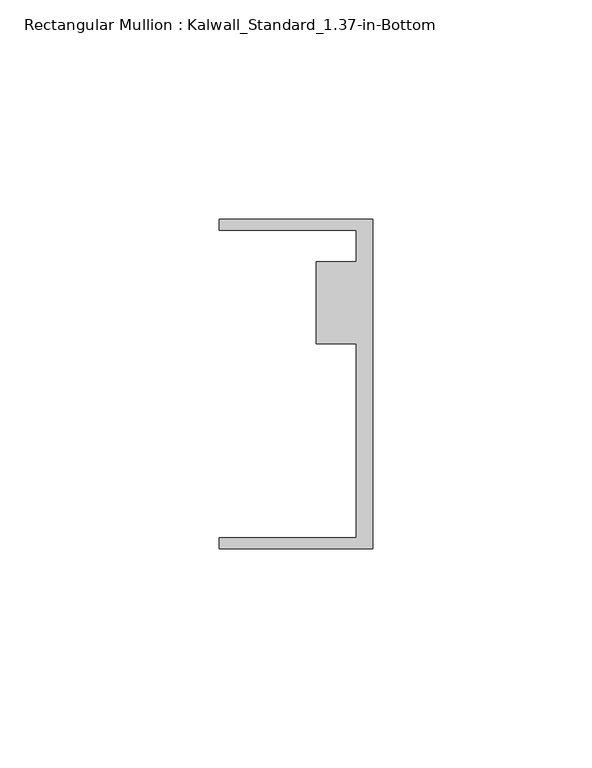
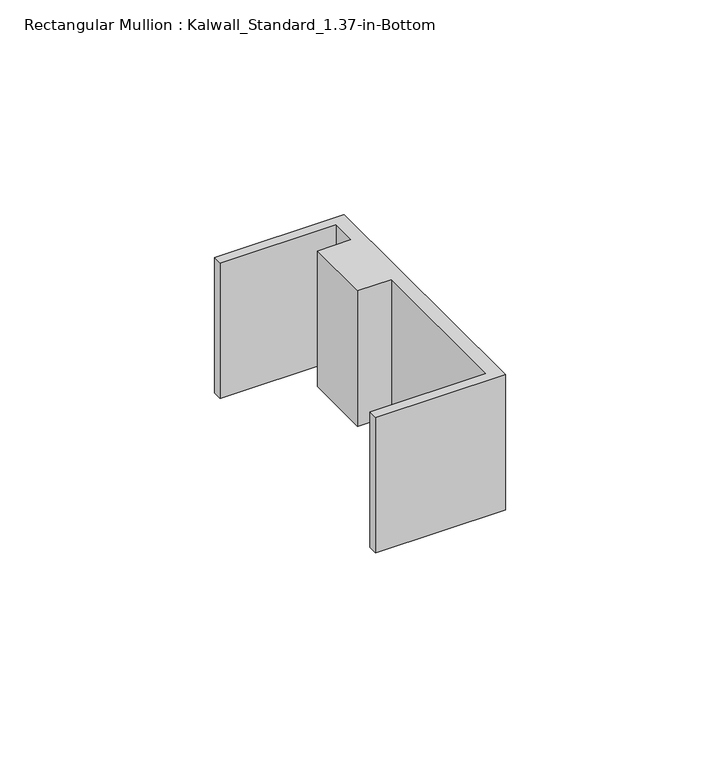
"""IFC4 building model written with IfcOpenShell, lengths in millimetres: member geometry, Rectangular Mullion : Kalwall_Standard_1.37-in-Bottom."""

from ifc_helpers import new_model, si_unit, frame, origin, place, context, project, spatial, polyline, outline, extrude, source, transform, mapped, element, save


def rectangular_mullion_kalwall_standard_1_37_in_bottom_06c216f3(model_context):
    return source(origin(), model_context, "Body", "SweptSolid", [
        extrude(outline(polyline([(0.0, 37.5776386), (0.0, -37.5023614), (-34.925, -37.5023614), (-34.925, -34.9623614), (-3.7084, -34.9623614), (-3.7084, 9.1879886), (-12.8272539, 9.1879886), (-12.8272539, 27.8888568), (-3.7084, 27.8888568), (-3.7084, 35.0376386), (-34.925, 35.0376386), (-34.925, 37.5776386), (0.0, 37.5776386)])), frame((0.0, 0.0, -38.6045997), z_axis=(0.0, 0.0, 1.0), x_axis=(1.0, 0.0, 0.0)), (0.0, 0.0, 1.0), 38.6045997),
    ])


if __name__ == "__main__":
    model = new_model("IFC4")
    model_context = context("Model", 3, world=origin())
    ifc_project = project(units=[si_unit("LENGTHUNIT", "METRE", prefix="MILLI")], contexts=[model_context])
    site = spatial("IfcSite", under=ifc_project)
    building = spatial("IfcBuilding", under=site)
    placement = place(None, origin())
    rectangular_mullion_kalwall_standard_1_37_in_bottom_shape = rectangular_mullion_kalwall_standard_1_37_in_bottom_06c216f3(model_context)
    element("IfcMember", 1, ObjectType="Rectangular Mullion : Kalwall_Standard_1.37-in-Bottom", at=placement, inside=building, context=model_context, shape_type="MappedRepresentation", body=[
        mapped(rectangular_mullion_kalwall_standard_1_37_in_bottom_shape, transform((0.0, 0.0, 0.0), x_axis=(1.0, 0.0, 0.0), y_axis=(0.0, 1.0, 0.0), z_axis=(0.0, 0.0, 1.0))),
    ])
    save(model, "model.ifc")
